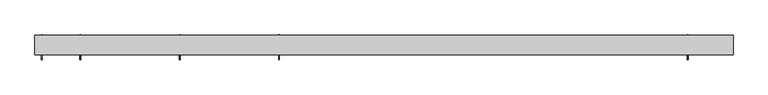
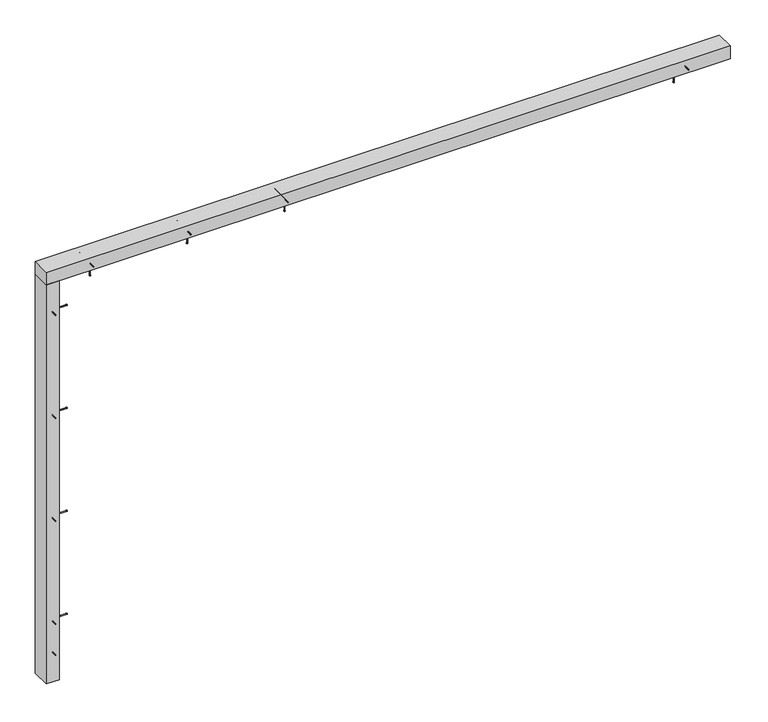
"""IFC4 building model written with IfcOpenShell, lengths in millimetres: proxy geometry."""

import ifcopenshell
import ifcopenshell.guid

model = None  # the IFC model being written
_history = None  # IfcOwnerHistory: only IFC2X3 demands one
_inside = {}  # id of a spatial element -> (the spatial element, [elements in it])
_under = {}  # id of a project, library or spatial element -> (it, [spatial elements below it])
_declared = {}  # id of a project -> (the project, [libraries it declares])
_typed = {}  # id of a type object -> (the type object, [elements of that type])
_made_of = {}  # id of a material, layer set ... -> (it, [elements and type objects made of it])


def new_model(schema):
    """Start an empty IFC model of exactly this schema.

    Asked for "IFC4X3", IfcOpenShell would pick the latest addendum, in which some entities
    have other attributes; the version numbers below select the first issue.
    IFC2X3 requires an IfcOwnerHistory on every rooted entity: one is made here for all.
    """
    global model, _history
    if schema == "IFC4X3":
        model = ifcopenshell.file(schema_version=(4, 3, 0, 0))
    else:
        model = ifcopenshell.file(schema=schema)
    _inside.clear()
    _under.clear()
    _declared.clear()
    _typed.clear()
    _made_of.clear()
    _history = None
    if model.schema == "IFC2X3":
        org = make("IfcOrganization", Name="unknown")
        user = make(
            "IfcPersonAndOrganization",
            ThePerson=make("IfcPerson", FamilyName="unknown"),
            TheOrganization=org,
        )
        app = make(
            "IfcApplication",
            ApplicationDeveloper=org,
            Version="unknown",
            ApplicationFullName="unknown",
            ApplicationIdentifier="unknown",
        )
        _history = make(
            "IfcOwnerHistory",
            OwningUser=user,
            OwningApplication=app,
            ChangeAction="ADDED",
            CreationDate=0,
        )
    return model


def make(cls, **values):
    """One entity of the class cls with the attributes given. An attribute that is None is left unset."""
    return model.create_entity(
        cls, **{name: value for name, value in values.items() if value is not None}
    )


def rooted(cls, **values):
    """An entity with a GlobalId (a new one), such as an element, a storey or a relation."""
    return make(cls, GlobalId=ifcopenshell.guid.new(), OwnerHistory=_history, **values)


def si_unit(unit_type, name, prefix=None):
    """IfcSIUnit, for example si_unit("LENGTHUNIT", "METRE", prefix="MILLI")."""
    return make("IfcSIUnit", UnitType=unit_type, Prefix=prefix, Name=name)


def assignment(units):
    """IfcUnitAssignment: the units of a project."""
    return None if units is None else make("IfcUnitAssignment", Units=units)


def point(xyz):
    """IfcCartesianPoint."""
    return None if xyz is None else make("IfcCartesianPoint", Coordinates=xyz)


def direction(xyz):
    """IfcDirection."""
    return None if xyz is None else make("IfcDirection", DirectionRatios=xyz)


def frame(location, z_axis=None, x_axis=None):
    """IfcAxis2Placement3D, a coordinate frame: its origin and axes. An axis left out is left unset."""
    return make(
        "IfcAxis2Placement3D",
        Location=point(location),
        Axis=direction(z_axis),
        RefDirection=direction(x_axis),
    )


def frame_2d(location, x_axis=None):
    """IfcAxis2Placement2D, a coordinate frame in the plane: its origin and x axis."""
    return make(
        "IfcAxis2Placement2D", Location=point(location), RefDirection=direction(x_axis)
    )


def origin():
    """The frame at (0, 0, 0) with its axes left unset."""
    return frame((0.0, 0.0, 0.0))


def place(relative_to, where):
    """IfcLocalPlacement: puts the frame where relative to a parent placement (None: the world)."""
    return make(
        "IfcLocalPlacement", PlacementRelTo=relative_to, RelativePlacement=where
    )


def context(
    kind, dimensions, precision=None, world=None, true_north=None, identifier=None
):
    """IfcGeometricRepresentationContext, for example the 3D "Model" context."""
    return make(
        "IfcGeometricRepresentationContext",
        ContextIdentifier=identifier,
        ContextType=kind,
        CoordinateSpaceDimension=dimensions,
        Precision=precision,
        WorldCoordinateSystem=world,
        TrueNorth=true_north,
    )


def project(units=None, contexts=None):
    """IfcProject with its units and contexts."""
    return rooted(
        "IfcProject",
        Name="project",
        RepresentationContexts=contexts,
        UnitsInContext=assignment(units),
    )


def spatial(cls, under=None, at=None, **own):
    """A site, building, storey or space (cls), placed at a placement, below another one or the project."""
    s = rooted(cls, ObjectPlacement=at, **own)
    if under is not None:
        _under.setdefault(under.id(), (under, []))[1].append(s)
    return s


def polyline(points):
    """IfcPolyline through the points."""
    return make("IfcPolyline", Points=[point(p) for p in points])


def circle_curve(where, radius):
    """IfcCircle in the frame where."""
    return make("IfcCircle", Position=where, Radius=radius)


def trimmed(basis, trim1, trim2, sense, master):
    """IfcTrimmedCurve: the piece of a basis curve between two trims."""
    return make(
        "IfcTrimmedCurve",
        BasisCurve=basis,
        Trim1=trim1,
        Trim2=trim2,
        SenseAgreement=sense,
        MasterRepresentation=master,
    )


def segment(curve, same_sense, transition):
    """IfcCompositeCurveSegment."""
    return make(
        "IfcCompositeCurveSegment",
        Transition=transition,
        SameSense=same_sense,
        ParentCurve=curve,
    )


def composite_curve(segments, self_intersect=None):
    """IfcCompositeCurve: segments joined end to end."""
    return make("IfcCompositeCurve", Segments=segments, SelfIntersect=self_intersect)


def outline(outer, holes=None, kind="AREA"):
    """IfcArbitraryClosedProfileDef: a profile drawn as a closed curve; with holes, ...WithVoids."""
    if holes is None:
        return make("IfcArbitraryClosedProfileDef", ProfileType=kind, OuterCurve=outer)
    return make(
        "IfcArbitraryProfileDefWithVoids",
        ProfileType=kind,
        OuterCurve=outer,
        InnerCurves=holes,
    )


def extrude(swept, where, along, depth):
    """IfcExtrudedAreaSolid: the profile swept, set in the frame where, extruded along a direction by depth."""
    return make(
        "IfcExtrudedAreaSolid",
        SweptArea=swept,
        Position=where,
        ExtrudedDirection=direction(along),
        Depth=depth,
    )


def shape(context_of_items, identifier, shape_type, items):
    """IfcShapeRepresentation: the items that make up one representation, for example the "Body"."""
    return make(
        "IfcShapeRepresentation",
        ContextOfItems=context_of_items,
        RepresentationIdentifier=identifier,
        RepresentationType=shape_type,
        Items=items,
    )


def source(mapping_origin, context_of_items, identifier, shape_type, items):
    """IfcRepresentationMap: a shape defined once, which mapped items show again and again."""
    return make(
        "IfcRepresentationMap",
        MappingOrigin=mapping_origin,
        MappedRepresentation=shape(context_of_items, identifier, shape_type, items),
    )


def transform(
    local_origin,
    x_axis=None,
    y_axis=None,
    z_axis=None,
    scale=None,
    scale2=None,
    scale3=None,
    uniform=True,
):
    """IfcCartesianTransformationOperator3D, or its non-uniform kind. x_axis, y_axis, z_axis: its Axis1, 2, 3."""
    if uniform:
        return make(
            "IfcCartesianTransformationOperator3D",
            Axis1=direction(x_axis),
            Axis2=direction(y_axis),
            LocalOrigin=point(local_origin),
            Scale=scale,
            Axis3=direction(z_axis),
        )
    return make(
        "IfcCartesianTransformationOperator3DnonUniform",
        Axis1=direction(x_axis),
        Axis2=direction(y_axis),
        LocalOrigin=point(local_origin),
        Scale=scale,
        Axis3=direction(z_axis),
        Scale2=scale2,
        Scale3=scale3,
    )


def mapped(mapping_source, mapping_target):
    """IfcMappedItem: shows the shape of a source again, moved by a transform."""
    return make(
        "IfcMappedItem", MappingSource=mapping_source, MappingTarget=mapping_target
    )


def made_of(thing, what):
    """Note that an element or type object is made of a material, layer set ...; save() writes the relation."""
    if what is not None:
        _made_of.setdefault(what.id(), (what, []))[1].append(thing)
    return thing


def element(
    cls,
    number,
    at=None,
    inside=None,
    cuts=None,
    type_object=None,
    material=None,
    context=None,
    identifier="Body",
    shape_type=None,
    held_by="IfcProductDefinitionShape",
    body=None,
    shapes=None,
    **own,
):
    """One element of the class cls, such as IfcWall. Its Tag is "e" and its number.

    at: its placement. inside: the storey or other place that contains it. cuts: it is an
    opening in that element (IfcRelVoidsElement). A single representation is given by context,
    identifier, shape_type and body (its items); several are given by shapes. held_by: the class
    of the entity that holds the representations. save() writes the other relations.
    """
    e = rooted(cls, Tag="e%d" % number, ObjectPlacement=at, **own)
    if body is not None:
        shapes = [shape(context, identifier, shape_type, body)]
    if shapes is not None:
        e.Representation = make(held_by, Representations=shapes)
    if inside is not None:
        _inside.setdefault(inside.id(), (inside, []))[1].append(e)
    if cuts is not None:
        rooted(
            "IfcRelVoidsElement", RelatingBuildingElement=cuts, RelatedOpeningElement=e
        )
    if type_object is not None:
        _typed.setdefault(type_object.id(), (type_object, []))[1].append(e)
    return made_of(e, material)


def aggregate(whole, parts):
    """IfcRelAggregates: a whole, such as a stair, and the parts it consists of."""
    return rooted("IfcRelAggregates", RelatingObject=whole, RelatedObjects=parts)


def save(model, path):
    """Write the relations noted so far, then the file.

    IfcRelAggregates (storeys below a building ...), IfcRelContainedInSpatialStructure (elements
    in a storey), IfcRelDefinesByType, IfcRelAssociatesMaterial and IfcRelDeclares: one each for
    every whole, place, type object, material and project.
    """
    for whole, parts in _under.values():
        aggregate(whole, parts)
    for where, things in _inside.values():
        rooted(
            "IfcRelContainedInSpatialStructure",
            RelatedElements=things,
            RelatingStructure=where,
        )
    for kind, things in _typed.values():
        rooted("IfcRelDefinesByType", RelatedObjects=things, RelatingType=kind)
    for what, things in _made_of.values():
        rooted("IfcRelAssociatesMaterial", RelatedObjects=things, RelatingMaterial=what)
    for by, libraries in _declared.values():
        rooted("IfcRelDeclares", RelatingContext=by, RelatedDefinitions=libraries)
    model.write(path)


def generic_models_cea58c74(model_context):
    return source(origin(), model_context, "Body", "SweptSolid", [
        extrude(outline(composite_curve([segment(trimmed(circle_curve(frame_2d((2827.5, -473.1666667)), 2.4700592), [point((2829.9700592, -473.1666667))], [point((2825.0299408, -473.1666667))], False, "CARTESIAN"), True, "CONTINUOUS"), segment(trimmed(circle_curve(frame_2d((2827.5, -473.1666667)), 2.4700592), [point((2825.0299408, -473.1666667))], [point((2829.9700592, -473.1666667))], False, "CARTESIAN"), True, "CONTINUOUS")], self_intersect=False)), frame((0.0, 108.0, 0.0), z_axis=(0.0, 1.0, 0.0), x_axis=(0.0, 0.0, 1.0)), (0.0, 0.0, 1.0), 152.0),
        extrude(outline(composite_curve([segment(trimmed(circle_curve(frame_2d((2827.5, -473.1666667)), 3.8), [point((2831.3, -473.1666667))], [point((2823.7, -473.1666667))], False, "CARTESIAN"), True, "CONTINUOUS"), segment(trimmed(circle_curve(frame_2d((2827.5, -473.1666667)), 3.8), [point((2823.7, -473.1666667))], [point((2831.3, -473.1666667))], False, "CARTESIAN"), True, "CONTINUOUS")], self_intersect=False)), frame((0.0, 260.0, 0.0), z_axis=(0.0, 1.0, 0.0), x_axis=(0.0, 0.0, 1.0)), (0.0, 0.0, 1.0), 3.0),
        extrude(outline(composite_curve([segment(trimmed(circle_curve(frame_2d((-443.1666667, 200.0)), 2.4700592), [point((-443.1666667, 197.5299408))], [point((-443.1666667, 202.4700592))], False, "CARTESIAN"), True, "CONTINUOUS"), segment(trimmed(circle_curve(frame_2d((-443.1666667, 200.0)), 2.4700592), [point((-443.1666667, 202.4700592))], [point((-443.1666667, 197.5299408))], False, "CARTESIAN"), True, "CONTINUOUS")], self_intersect=False)), frame((0.0, 0.0, 2705.0), z_axis=(0.0, 0.0, 1.0), x_axis=(1.0, 0.0, 0.0)), (0.0, 0.0, 1.0), 140.0),
        extrude(outline(composite_curve([segment(trimmed(circle_curve(frame_2d((-443.1666667, 200.0)), 3.8), [point((-443.1666667, 196.2))], [point((-443.1666667, 203.8))], False, "CARTESIAN"), True, "CONTINUOUS"), segment(trimmed(circle_curve(frame_2d((-443.1666667, 200.0)), 3.8), [point((-443.1666667, 203.8))], [point((-443.1666667, 196.2))], False, "CARTESIAN"), True, "CONTINUOUS")], self_intersect=False)), frame((0.0, 0.0, 2702.0), z_axis=(0.0, 0.0, 1.0), x_axis=(1.0, 0.0, 0.0)), (0.0, 0.0, 1.0), 3.0),
        extrude(outline(composite_curve([segment(trimmed(circle_curve(frame_2d((2827.5, -1095.3333333)), 2.4700592), [point((2829.9700592, -1095.3333333))], [point((2825.0299408, -1095.3333333))], False, "CARTESIAN"), True, "CONTINUOUS"), segment(trimmed(circle_curve(frame_2d((2827.5, -1095.3333333)), 2.4700592), [point((2825.0299408, -1095.3333333))], [point((2829.9700592, -1095.3333333))], False, "CARTESIAN"), True, "CONTINUOUS")], self_intersect=False)), frame((0.0, 108.0, 0.0), z_axis=(0.0, 1.0, 0.0), x_axis=(0.0, 0.0, 1.0)), (0.0, 0.0, 1.0), 152.0),
        extrude(outline(composite_curve([segment(trimmed(circle_curve(frame_2d((2827.5, -1095.3333333)), 3.8), [point((2831.3, -1095.3333333))], [point((2823.7, -1095.3333333))], False, "CARTESIAN"), True, "CONTINUOUS"), segment(trimmed(circle_curve(frame_2d((2827.5, -1095.3333333)), 3.8), [point((2823.7, -1095.3333333))], [point((2831.3, -1095.3333333))], False, "CARTESIAN"), True, "CONTINUOUS")], self_intersect=False)), frame((0.0, 260.0, 0.0), z_axis=(0.0, 1.0, 0.0), x_axis=(0.0, 0.0, 1.0)), (0.0, 0.0, 1.0), 3.0),
        extrude(outline(composite_curve([segment(trimmed(circle_curve(frame_2d((-1065.3333333, 200.0)), 2.4700592), [point((-1065.3333333, 197.5299408))], [point((-1065.3333333, 202.4700592))], False, "CARTESIAN"), True, "CONTINUOUS"), segment(trimmed(circle_curve(frame_2d((-1065.3333333, 200.0)), 2.4700592), [point((-1065.3333333, 202.4700592))], [point((-1065.3333333, 197.5299408))], False, "CARTESIAN"), True, "CONTINUOUS")], self_intersect=False)), frame((0.0, 0.0, 2705.0), z_axis=(0.0, 0.0, 1.0), x_axis=(1.0, 0.0, 0.0)), (0.0, 0.0, 1.0), 140.0),
        extrude(outline(composite_curve([segment(trimmed(circle_curve(frame_2d((-1065.3333333, 200.0)), 3.8), [point((-1065.3333333, 196.2))], [point((-1065.3333333, 203.8))], False, "CARTESIAN"), True, "CONTINUOUS"), segment(trimmed(circle_curve(frame_2d((-1065.3333333, 200.0)), 3.8), [point((-1065.3333333, 203.8))], [point((-1065.3333333, 196.2))], False, "CARTESIAN"), True, "CONTINUOUS")], self_intersect=False)), frame((0.0, 0.0, 2702.0), z_axis=(0.0, 0.0, 1.0), x_axis=(1.0, 0.0, 0.0)), (0.0, 0.0, 1.0), 3.0),
        extrude(outline(composite_curve([segment(trimmed(circle_curve(frame_2d((2045.5, 200.0)), 2.4700592), [point((2045.5, 197.5299408))], [point((2045.5, 202.4700592))], False, "CARTESIAN"), True, "CONTINUOUS"), segment(trimmed(circle_curve(frame_2d((2045.5, 200.0)), 2.4700592), [point((2045.5, 202.4700592))], [point((2045.5, 197.5299408))], False, "CARTESIAN"), True, "CONTINUOUS")], self_intersect=False)), frame((0.0, 0.0, 2705.0), z_axis=(0.0, 0.0, 1.0), x_axis=(1.0, 0.0, 0.0)), (0.0, 0.0, 1.0), 140.0),
        extrude(outline(composite_curve([segment(trimmed(circle_curve(frame_2d((2045.5, 200.0)), 3.8), [point((2045.5, 196.2))], [point((2045.5, 203.8))], False, "CARTESIAN"), True, "CONTINUOUS"), segment(trimmed(circle_curve(frame_2d((2045.5, 200.0)), 3.8), [point((2045.5, 203.8))], [point((2045.5, 196.2))], False, "CARTESIAN"), True, "CONTINUOUS")], self_intersect=False)), frame((0.0, 0.0, 2702.0), z_axis=(0.0, 0.0, 1.0), x_axis=(1.0, 0.0, 0.0)), (0.0, 0.0, 1.0), 3.0),
        extrude(outline(composite_curve([segment(trimmed(circle_curve(frame_2d((-1687.5, 200.0)), 2.4700592), [point((-1687.5, 197.5299408))], [point((-1687.5, 202.4700592))], False, "CARTESIAN"), True, "CONTINUOUS"), segment(trimmed(circle_curve(frame_2d((-1687.5, 200.0)), 2.4700592), [point((-1687.5, 202.4700592))], [point((-1687.5, 197.5299408))], False, "CARTESIAN"), True, "CONTINUOUS")], self_intersect=False)), frame((0.0, 0.0, 2705.0), z_axis=(0.0, 0.0, 1.0), x_axis=(1.0, 0.0, 0.0)), (0.0, 0.0, 1.0), 140.0),
        extrude(outline(composite_curve([segment(trimmed(circle_curve(frame_2d((-1687.5, 200.0)), 3.8), [point((-1687.5, 196.2))], [point((-1687.5, 203.8))], False, "CARTESIAN"), True, "CONTINUOUS"), segment(trimmed(circle_curve(frame_2d((-1687.5, 200.0)), 3.8), [point((-1687.5, 203.8))], [point((-1687.5, 196.2))], False, "CARTESIAN"), True, "CONTINUOUS")], self_intersect=False)), frame((0.0, 0.0, 2702.0), z_axis=(0.0, 0.0, 1.0), x_axis=(1.0, 0.0, 0.0)), (0.0, 0.0, 1.0), 3.0),
        extrude(outline(composite_curve([segment(trimmed(circle_curve(frame_2d((2827.5, -1717.5)), 2.4700592), [point((2829.9700592, -1717.5))], [point((2825.0299408, -1717.5))], False, "CARTESIAN"), True, "CONTINUOUS"), segment(trimmed(circle_curve(frame_2d((2827.5, -1717.5)), 2.4700592), [point((2825.0299408, -1717.5))], [point((2829.9700592, -1717.5))], False, "CARTESIAN"), True, "CONTINUOUS")], self_intersect=False)), frame((0.0, 108.0, 0.0), z_axis=(0.0, 1.0, 0.0), x_axis=(0.0, 0.0, 1.0)), (0.0, 0.0, 1.0), 152.0),
        extrude(outline(composite_curve([segment(trimmed(circle_curve(frame_2d((2827.5, -1717.5)), 3.8), [point((2831.3, -1717.5))], [point((2823.7, -1717.5))], False, "CARTESIAN"), True, "CONTINUOUS"), segment(trimmed(circle_curve(frame_2d((2827.5, -1717.5)), 3.8), [point((2823.7, -1717.5))], [point((2831.3, -1717.5))], False, "CARTESIAN"), True, "CONTINUOUS")], self_intersect=False)), frame((0.0, 260.0, 0.0), z_axis=(0.0, 1.0, 0.0), x_axis=(0.0, 0.0, 1.0)), (0.0, 0.0, 1.0), 3.0),
        extrude(outline(composite_curve([segment(trimmed(circle_curve(frame_2d((2827.5, 2087.5)), 2.4700592), [point((2829.9700592, 2087.5))], [point((2825.0299408, 2087.5))], False, "CARTESIAN"), True, "CONTINUOUS"), segment(trimmed(circle_curve(frame_2d((2827.5, 2087.5)), 2.4700592), [point((2825.0299408, 2087.5))], [point((2829.9700592, 2087.5))], False, "CARTESIAN"), True, "CONTINUOUS")], self_intersect=False)), frame((0.0, 108.0, 0.0), z_axis=(0.0, 1.0, 0.0), x_axis=(0.0, 0.0, 1.0)), (0.0, 0.0, 1.0), 152.0),
        extrude(outline(composite_curve([segment(trimmed(circle_curve(frame_2d((2827.5, 2087.5)), 3.8), [point((2831.3, 2087.5))], [point((2823.7, 2087.5))], False, "CARTESIAN"), True, "CONTINUOUS"), segment(trimmed(circle_curve(frame_2d((2827.5, 2087.5)), 3.8), [point((2823.7, 2087.5))], [point((2831.3, 2087.5))], False, "CARTESIAN"), True, "CONTINUOUS")], self_intersect=False)), frame((0.0, 260.0, 0.0), z_axis=(0.0, 1.0, 0.0), x_axis=(0.0, 0.0, 1.0)), (0.0, 0.0, 1.0), 3.0),
        extrude(outline(polyline([(2372.5, 140.0), (-2002.5, 140.0), (-2002.5, 260.0), (2372.5, 260.0), (2372.5, 140.0)])), frame((0.0, 0.0, 2785.0), z_axis=(0.0, 0.0, 1.0), x_axis=(1.0, 0.0, 0.0)), (0.0, 0.0, 1.0), 85.0),
        extrude(outline(composite_curve([segment(trimmed(circle_curve(frame_2d((495.0, -1960.0)), 2.4700592), [point((495.0, -1962.4700592))], [point((495.0, -1957.5299408))], False, "CARTESIAN"), True, "CONTINUOUS"), segment(trimmed(circle_curve(frame_2d((495.0, -1960.0)), 2.4700592), [point((495.0, -1957.5299408))], [point((495.0, -1962.4700592))], False, "CARTESIAN"), True, "CONTINUOUS")], self_intersect=False)), frame((0.0, 108.0, 0.0), z_axis=(0.0, 1.0, 0.0), x_axis=(0.0, 0.0, 1.0)), (0.0, 0.0, 1.0), 152.0),
        extrude(outline(composite_curve([segment(trimmed(circle_curve(frame_2d((495.0, -1960.0)), 3.8), [point((495.0, -1963.8))], [point((495.0, -1956.2))], False, "CARTESIAN"), True, "CONTINUOUS"), segment(trimmed(circle_curve(frame_2d((495.0, -1960.0)), 3.8), [point((495.0, -1956.2))], [point((495.0, -1963.8))], False, "CARTESIAN"), True, "CONTINUOUS")], self_intersect=False)), frame((0.0, 260.0, 0.0), z_axis=(0.0, 1.0, 0.0), x_axis=(0.0, 0.0, 1.0)), (0.0, 0.0, 1.0), 3.0),
        extrude(outline(composite_curve([segment(trimmed(circle_curve(frame_2d((1191.6666667, -1960.0)), 2.4700592), [point((1191.6666667, -1962.4700592))], [point((1191.6666667, -1957.5299408))], False, "CARTESIAN"), True, "CONTINUOUS"), segment(trimmed(circle_curve(frame_2d((1191.6666667, -1960.0)), 2.4700592), [point((1191.6666667, -1957.5299408))], [point((1191.6666667, -1962.4700592))], False, "CARTESIAN"), True, "CONTINUOUS")], self_intersect=False)), frame((0.0, 108.0, 0.0), z_axis=(0.0, 1.0, 0.0), x_axis=(0.0, 0.0, 1.0)), (0.0, 0.0, 1.0), 152.0),
        extrude(outline(composite_curve([segment(trimmed(circle_curve(frame_2d((1191.6666667, -1960.0)), 3.8), [point((1191.6666667, -1963.8))], [point((1191.6666667, -1956.2))], False, "CARTESIAN"), True, "CONTINUOUS"), segment(trimmed(circle_curve(frame_2d((1191.6666667, -1960.0)), 3.8), [point((1191.6666667, -1956.2))], [point((1191.6666667, -1963.8))], False, "CARTESIAN"), True, "CONTINUOUS")], self_intersect=False)), frame((0.0, 260.0, 0.0), z_axis=(0.0, 1.0, 0.0), x_axis=(0.0, 0.0, 1.0)), (0.0, 0.0, 1.0), 3.0),
        extrude(outline(composite_curve([segment(trimmed(circle_curve(frame_2d((200.0, 1161.6666667)), 2.4700592), [point((197.5299408, 1161.6666667))], [point((202.4700592, 1161.6666667))], False, "CARTESIAN"), True, "CONTINUOUS"), segment(trimmed(circle_curve(frame_2d((200.0, 1161.6666667)), 2.4700592), [point((202.4700592, 1161.6666667))], [point((197.5299408, 1161.6666667))], False, "CARTESIAN"), True, "CONTINUOUS")], self_intersect=False)), frame((-1977.5, 0.0, 0.0), z_axis=(1.0, 0.0, 0.0), x_axis=(0.0, 1.0, 0.0)), (0.0, 0.0, 1.0), 140.0),
        extrude(outline(composite_curve([segment(trimmed(circle_curve(frame_2d((200.0, 1161.6666667)), 3.8), [point((196.2, 1161.6666667))], [point((203.8, 1161.6666667))], False, "CARTESIAN"), True, "CONTINUOUS"), segment(trimmed(circle_curve(frame_2d((200.0, 1161.6666667)), 3.8), [point((203.8, 1161.6666667))], [point((196.2, 1161.6666667))], False, "CARTESIAN"), True, "CONTINUOUS")], self_intersect=False)), frame((-1837.5, 0.0, 0.0), z_axis=(1.0, 0.0, 0.0), x_axis=(0.0, 1.0, 0.0)), (0.0, 0.0, 1.0), 3.0),
        extrude(outline(composite_curve([segment(trimmed(circle_curve(frame_2d((1888.3333333, -1960.0)), 2.4700592), [point((1888.3333333, -1962.4700592))], [point((1888.3333333, -1957.5299408))], False, "CARTESIAN"), True, "CONTINUOUS"), segment(trimmed(circle_curve(frame_2d((1888.3333333, -1960.0)), 2.4700592), [point((1888.3333333, -1957.5299408))], [point((1888.3333333, -1962.4700592))], False, "CARTESIAN"), True, "CONTINUOUS")], self_intersect=False)), frame((0.0, 108.0, 0.0), z_axis=(0.0, 1.0, 0.0), x_axis=(0.0, 0.0, 1.0)), (0.0, 0.0, 1.0), 152.0),
        extrude(outline(composite_curve([segment(trimmed(circle_curve(frame_2d((1888.3333333, -1960.0)), 3.8), [point((1888.3333333, -1963.8))], [point((1888.3333333, -1956.2))], False, "CARTESIAN"), True, "CONTINUOUS"), segment(trimmed(circle_curve(frame_2d((1888.3333333, -1960.0)), 3.8), [point((1888.3333333, -1956.2))], [point((1888.3333333, -1963.8))], False, "CARTESIAN"), True, "CONTINUOUS")], self_intersect=False)), frame((0.0, 260.0, 0.0), z_axis=(0.0, 1.0, 0.0), x_axis=(0.0, 0.0, 1.0)), (0.0, 0.0, 1.0), 3.0),
        extrude(outline(composite_curve([segment(trimmed(circle_curve(frame_2d((200.0, 1858.3333333)), 2.4700592), [point((197.5299408, 1858.3333333))], [point((202.4700592, 1858.3333333))], False, "CARTESIAN"), True, "CONTINUOUS"), segment(trimmed(circle_curve(frame_2d((200.0, 1858.3333333)), 2.4700592), [point((202.4700592, 1858.3333333))], [point((197.5299408, 1858.3333333))], False, "CARTESIAN"), True, "CONTINUOUS")], self_intersect=False)), frame((-1977.5, 0.0, 0.0), z_axis=(1.0, 0.0, 0.0), x_axis=(0.0, 1.0, 0.0)), (0.0, 0.0, 1.0), 140.0),
        extrude(outline(composite_curve([segment(trimmed(circle_curve(frame_2d((200.0, 1858.3333333)), 3.8), [point((196.2, 1858.3333333))], [point((203.8, 1858.3333333))], False, "CARTESIAN"), True, "CONTINUOUS"), segment(trimmed(circle_curve(frame_2d((200.0, 1858.3333333)), 3.8), [point((203.8, 1858.3333333))], [point((196.2, 1858.3333333))], False, "CARTESIAN"), True, "CONTINUOUS")], self_intersect=False)), frame((-1837.5, 0.0, 0.0), z_axis=(1.0, 0.0, 0.0), x_axis=(0.0, 1.0, 0.0)), (0.0, 0.0, 1.0), 3.0),
        extrude(outline(composite_curve([segment(trimmed(circle_curve(frame_2d((200.0, 465.0)), 2.4700592), [point((197.5299408, 465.0))], [point((202.4700592, 465.0))], False, "CARTESIAN"), True, "CONTINUOUS"), segment(trimmed(circle_curve(frame_2d((200.0, 465.0)), 2.4700592), [point((202.4700592, 465.0))], [point((197.5299408, 465.0))], False, "CARTESIAN"), True, "CONTINUOUS")], self_intersect=False)), frame((-1977.5, 0.0, 0.0), z_axis=(1.0, 0.0, 0.0), x_axis=(0.0, 1.0, 0.0)), (0.0, 0.0, 1.0), 140.0),
        extrude(outline(composite_curve([segment(trimmed(circle_curve(frame_2d((200.0, 465.0)), 3.8), [point((196.2, 465.0))], [point((203.8, 465.0))], False, "CARTESIAN"), True, "CONTINUOUS"), segment(trimmed(circle_curve(frame_2d((200.0, 465.0)), 3.8), [point((203.8, 465.0))], [point((196.2, 465.0))], False, "CARTESIAN"), True, "CONTINUOUS")], self_intersect=False)), frame((-1837.5, 0.0, 0.0), z_axis=(1.0, 0.0, 0.0), x_axis=(0.0, 1.0, 0.0)), (0.0, 0.0, 1.0), 3.0),
        extrude(outline(composite_curve([segment(trimmed(circle_curve(frame_2d((200.0, 2555.0)), 2.4700592), [point((197.5299408, 2555.0))], [point((202.4700592, 2555.0))], False, "CARTESIAN"), True, "CONTINUOUS"), segment(trimmed(circle_curve(frame_2d((200.0, 2555.0)), 2.4700592), [point((202.4700592, 2555.0))], [point((197.5299408, 2555.0))], False, "CARTESIAN"), True, "CONTINUOUS")], self_intersect=False)), frame((-1977.5, 0.0, 0.0), z_axis=(1.0, 0.0, 0.0), x_axis=(0.0, 1.0, 0.0)), (0.0, 0.0, 1.0), 140.0),
        extrude(outline(composite_curve([segment(trimmed(circle_curve(frame_2d((200.0, 2555.0)), 3.8), [point((196.2, 2555.0))], [point((203.8, 2555.0))], False, "CARTESIAN"), True, "CONTINUOUS"), segment(trimmed(circle_curve(frame_2d((200.0, 2555.0)), 3.8), [point((203.8, 2555.0))], [point((196.2, 2555.0))], False, "CARTESIAN"), True, "CONTINUOUS")], self_intersect=False)), frame((-1837.5, 0.0, 0.0), z_axis=(1.0, 0.0, 0.0), x_axis=(0.0, 1.0, 0.0)), (0.0, 0.0, 1.0), 3.0),
        extrude(outline(composite_curve([segment(trimmed(circle_curve(frame_2d((2585.0, -1960.0)), 2.4700592), [point((2585.0, -1962.4700592))], [point((2585.0, -1957.5299408))], False, "CARTESIAN"), True, "CONTINUOUS"), segment(trimmed(circle_curve(frame_2d((2585.0, -1960.0)), 2.4700592), [point((2585.0, -1957.5299408))], [point((2585.0, -1962.4700592))], False, "CARTESIAN"), True, "CONTINUOUS")], self_intersect=False)), frame((0.0, 108.0, 0.0), z_axis=(0.0, 1.0, 0.0), x_axis=(0.0, 0.0, 1.0)), (0.0, 0.0, 1.0), 152.0),
        extrude(outline(composite_curve([segment(trimmed(circle_curve(frame_2d((2585.0, -1960.0)), 3.8), [point((2585.0, -1963.8))], [point((2585.0, -1956.2))], False, "CARTESIAN"), True, "CONTINUOUS"), segment(trimmed(circle_curve(frame_2d((2585.0, -1960.0)), 3.8), [point((2585.0, -1956.2))], [point((2585.0, -1963.8))], False, "CARTESIAN"), True, "CONTINUOUS")], self_intersect=False)), frame((0.0, 260.0, 0.0), z_axis=(0.0, 1.0, 0.0), x_axis=(0.0, 0.0, 1.0)), (0.0, 0.0, 1.0), 3.0),
        extrude(outline(composite_curve([segment(trimmed(circle_curve(frame_2d((285.0, -1960.0)), 2.4700592), [point((285.0, -1962.4700592))], [point((285.0, -1957.5299408))], False, "CARTESIAN"), True, "CONTINUOUS"), segment(trimmed(circle_curve(frame_2d((285.0, -1960.0)), 2.4700592), [point((285.0, -1957.5299408))], [point((285.0, -1962.4700592))], False, "CARTESIAN"), True, "CONTINUOUS")], self_intersect=False)), frame((0.0, 108.0, 0.0), z_axis=(0.0, 1.0, 0.0), x_axis=(0.0, 0.0, 1.0)), (0.0, 0.0, 1.0), 152.0),
        extrude(outline(composite_curve([segment(trimmed(circle_curve(frame_2d((285.0, -1960.0)), 3.8), [point((285.0, -1963.8))], [point((285.0, -1956.2))], False, "CARTESIAN"), True, "CONTINUOUS"), segment(trimmed(circle_curve(frame_2d((285.0, -1960.0)), 3.8), [point((285.0, -1956.2))], [point((285.0, -1963.8))], False, "CARTESIAN"), True, "CONTINUOUS")], self_intersect=False)), frame((0.0, 260.0, 0.0), z_axis=(0.0, 1.0, 0.0), x_axis=(0.0, 0.0, 1.0)), (0.0, 0.0, 1.0), 3.0),
        extrude(outline(polyline([(-2002.5, 140.0), (-2002.5, 260.0), (-1917.5, 260.0), (-1917.5, 140.0), (-2002.5, 140.0)])), frame((0.0, 0.0, 85.0), z_axis=(0.0, 0.0, 1.0), x_axis=(1.0, 0.0, 0.0)), (0.0, 0.0, 1.0), 2700.0),
    ])


if __name__ == "__main__":
    model = new_model("IFC4")
    model_context = context("Model", 3, world=origin())
    ifc_project = project(units=[si_unit("LENGTHUNIT", "METRE", prefix="MILLI")], contexts=[model_context])
    site = spatial("IfcSite", under=ifc_project)
    building = spatial("IfcBuilding", under=site)
    placement = place(None, origin())
    generic_models_shape = generic_models_cea58c74(model_context)
    element("IfcBuildingElementProxy", 1, Name="Generic Models", at=placement, inside=building, context=model_context, shape_type="MappedRepresentation", body=[
        mapped(generic_models_shape, transform((0.0, 0.0, 0.0), x_axis=(1.0, 0.0, 0.0), y_axis=(0.0, 1.0, 0.0), z_axis=(0.0, 0.0, 1.0))),
    ])
    save(model, "model.ifc")
